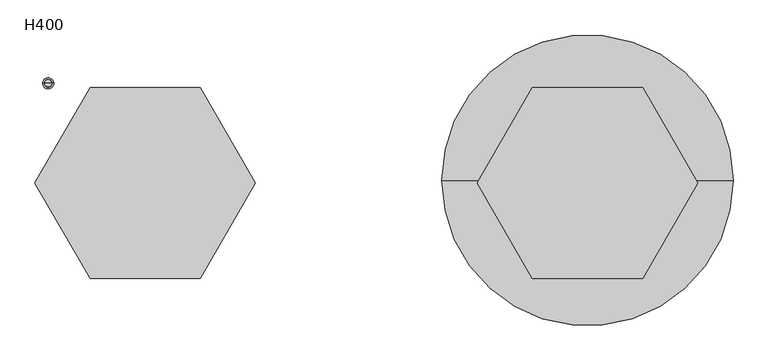
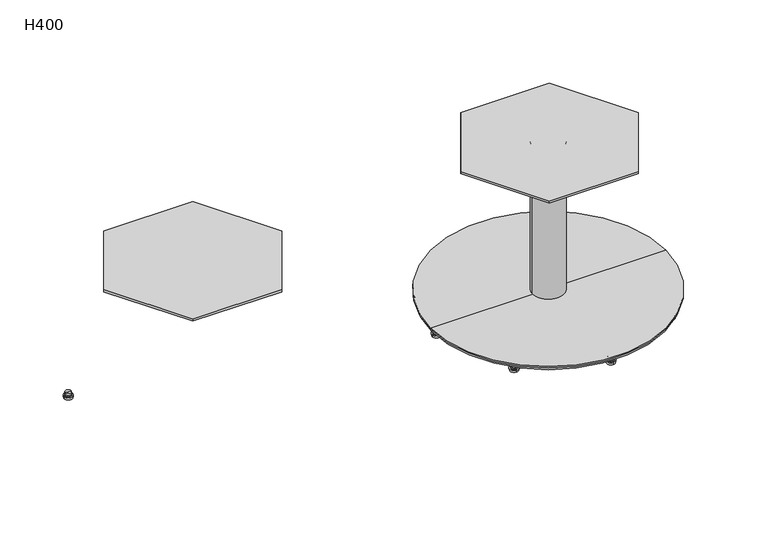
"""IFC4 building model written with IfcOpenShell, lengths in millimetres: furniture geometry, H400."""

from ifc_helpers import new_model, si_unit, point, frame, frame_2d, origin, place, context, project, spatial, polyline, circle_curve, trimmed, segment, composite_curve, outline, extrude, source, transform, mapped, element, save
from ifc_brep_helpers import plane_surface, cylinder_surface, revolved_surface, advanced_brep


def h400_dd44efa4(model_context):
    return source(origin(), model_context, "Body", "SolidModel", [
        advanced_brep(
        [(624.1102842, 176.3714444, 13.7177537), (617.6241161, 176.3714444, 13.7177537), (630.5964523, 176.3714444, 13.7177537), (617.6241161, 176.3714444, 9.5464368), (630.5964523, 176.3714444, 9.5464368), (620.7653237, 176.3714444, 9.5464368), (627.4552447, 176.3714444, 9.5464368), (620.7653237, 176.3714444, 6.7188998), (627.4552447, 176.3714444, 6.7188998), (617.064186, 176.3714444, 6.7188998), (631.1563823, 176.3714444, 6.7188998), (617.064186, 176.3714444, 5.5990832), (631.1563823, 176.3714444, 5.5990832), (613.9845707, 176.3714444, 5.5990832), (634.2359976, 176.3714444, 5.5990832), (615.1044308, 176.3714444, 0.0), (633.1161375, 176.3714444, 0.0), (624.1102842, 176.3714444, 0.0)],
        [
            (0, 1),
            (1, 2, circle_curve(frame((624.1102842, 176.3714444, 13.7177537), z_axis=(0.0, 0.0, 1.0), x_axis=(-1.0, 0.0, 0.0)), 6.4861681)),
            (2, 0),
            (2, 1, circle_curve(frame((624.1102842, 176.3714444, 13.7177537), z_axis=(0.0, 0.0, 1.0), x_axis=(-1.0, 0.0, 0.0)), 6.4861681)),
            (1, 3),
            (3, 4, circle_curve(frame((624.1102842, 176.3714444, 9.5464368), z_axis=(0.0, 0.0, 1.0), x_axis=(-1.0, 0.0, 0.0)), 6.4861681)),
            (4, 2),
            (4, 3, circle_curve(frame((624.1102842, 176.3714444, 9.5464368), z_axis=(0.0, 0.0, 1.0), x_axis=(-1.0, 0.0, 0.0)), 6.4861681)),
            (3, 5),
            (5, 6, circle_curve(frame((624.1102842, 176.3714444, 9.5464368), z_axis=(0.0, 0.0, 1.0), x_axis=(-1.0, 0.0, 0.0)), 3.3449605)),
            (6, 4),
            (6, 5, circle_curve(frame((624.1102842, 176.3714444, 9.5464368), z_axis=(0.0, 0.0, 1.0), x_axis=(-1.0, 0.0, 0.0)), 3.3449605)),
            (5, 7),
            (7, 8, circle_curve(frame((624.1102842, 176.3714444, 6.7188998), z_axis=(0.0, 0.0, 1.0), x_axis=(-1.0, 0.0, 0.0)), 3.3449605)),
            (8, 6),
            (8, 7, circle_curve(frame((624.1102842, 176.3714444, 6.7188998), z_axis=(0.0, 0.0, 1.0), x_axis=(-1.0, 0.0, 0.0)), 3.3449605)),
            (7, 9),
            (9, 10, circle_curve(frame((624.1102842, 176.3714444, 6.7188998), z_axis=(0.0, 0.0, 1.0), x_axis=(-1.0, 0.0, 0.0)), 7.0460981)),
            (10, 8),
            (10, 9, circle_curve(frame((624.1102842, 176.3714444, 6.7188998), z_axis=(0.0, 0.0, 1.0), x_axis=(-1.0, 0.0, 0.0)), 7.0460981)),
            (9, 11),
            (11, 12, circle_curve(frame((624.1102842, 176.3714444, 5.5990832), z_axis=(0.0, 0.0, 1.0), x_axis=(-1.0, 0.0, 0.0)), 7.0460981)),
            (12, 10),
            (12, 11, circle_curve(frame((624.1102842, 176.3714444, 5.5990832), z_axis=(0.0, 0.0, 1.0), x_axis=(-1.0, 0.0, 0.0)), 7.0460981)),
            (11, 13),
            (13, 14, circle_curve(frame((624.1102842, 176.3714444, 5.5990832), z_axis=(0.0, 0.0, 1.0), x_axis=(-1.0, 0.0, 0.0)), 10.1257135)),
            (14, 12),
            (14, 13, circle_curve(frame((624.1102842, 176.3714444, 5.5990832), z_axis=(0.0, 0.0, 1.0), x_axis=(-1.0, 0.0, 0.0)), 10.1257135)),
            (13, 15),
            (15, 16, circle_curve(frame((624.1102842, 176.3714444, 0.0), z_axis=(0.0, 0.0, 1.0), x_axis=(-1.0, 0.0, 0.0)), 9.0058533)),
            (16, 14),
            (16, 15, circle_curve(frame((624.1102842, 176.3714444, 0.0), z_axis=(0.0, 0.0, 1.0), x_axis=(-1.0, 0.0, 0.0)), 9.0058533)),
            (15, 17),
            (17, 16),
        ],
        [
            plane_surface(frame((624.1102842, 176.3714444, 13.7177537), z_axis=(0.0, 0.0, 1.0), x_axis=(-1.0, 0.0, 0.0))),
            cylinder_surface(frame((624.1102842, 176.3714444, 9.5464368), z_axis=(0.0, 0.0, 1.0), x_axis=(-1.0, 0.0, 0.0)), 6.4861681),
            plane_surface(frame((624.1102842, 176.3714444, 9.5464368), z_axis=(0.0, 0.0, -1.0), x_axis=(-1.0, 0.0, 0.0))),
            cylinder_surface(frame((624.1102842, 176.3714444, 9.5464368), z_axis=(0.0, 0.0, 1.0), x_axis=(-1.0, 0.0, 0.0)), 3.3449605),
            plane_surface(frame((624.1102842, 176.3714444, 6.7188998), z_axis=(0.0, 0.0, 1.0), x_axis=(-1.0, 0.0, 0.0))),
            cylinder_surface(frame((624.1102842, 176.3714444, 9.5464368), z_axis=(0.0, 0.0, 1.0), x_axis=(-1.0, 0.0, 0.0)), 7.0460981),
            plane_surface(frame((624.1102842, 176.3714444, 5.5990832), z_axis=(0.0, 0.0, 1.0), x_axis=(-1.0, 0.0, 0.0))),
            revolved_surface(polyline([(615.1044308, 176.3714444, 0.0), (613.9845707, 176.3714444, 5.5990832)]), (624.1102842, 176.3714444, 9.5464368), (0.0, 0.0, 1.0)),
            plane_surface(frame((624.1102842, 176.3714444, 0.0), z_axis=(0.0, 0.0, -1.0), x_axis=(-1.0, 0.0, 0.0))),
        ],
        [
            (0, [[1, 2, 3]]),
            (0, [[-3, 4, -1]]),
            (1, [[-2, 5, 6, 7]]),
            (1, [[-4, -7, 8, -5]]),
            (2, [[-6, 9, 10, 11]]),
            (2, [[-8, -11, 12, -9]]),
            (3, [[-10, 13, 14, 15]]),
            (3, [[-12, -15, 16, -13]]),
            (4, [[-14, 17, 18, 19]]),
            (4, [[-16, -19, 20, -17]]),
            (5, [[-18, 21, 22, 23]]),
            (5, [[-20, -23, 24, -21]]),
            (6, [[-22, 25, 26, 27]]),
            (6, [[-24, -27, 28, -25]]),
            (7, [[-26, 29, 30, 31]]),
            (7, [[-28, -31, 32, -29]]),
            (8, [[-30, 33, 34]]),
            (8, [[-32, -34, -33]]),
        ],
    ),
        advanced_brep(
        [(976.3714444, -169.4035477, 13.7177537), (976.3714444, -182.3758839, 13.7177537), (976.3714444, -175.8897158, 13.7177537), (976.3714444, -169.4035477, 9.5464368), (976.3714444, -182.3758839, 9.5464368), (976.3714444, -172.5447553, 9.5464368), (976.3714444, -179.2346763, 9.5464368), (976.3714444, -172.5447553, 6.7188998), (976.3714444, -179.2346763, 6.7188998), (976.3714444, -168.8436177, 6.7188998), (976.3714444, -182.935814, 6.7188998), (976.3714444, -168.8436177, 5.5990832), (976.3714444, -182.935814, 5.5990832), (976.3714444, -165.7640024, 5.5990832), (976.3714444, -186.0154293, 5.5990832), (976.3714444, -166.8838625, 0.0), (976.3714444, -184.8955692, 0.0), (976.3714444, -175.8897158, 0.0)],
        [
            (0, 1, circle_curve(frame((976.3714444, -175.8897158, 13.7177537), z_axis=(0.0, 0.0, 1.0), x_axis=(0.0, -1.0, 0.0)), 6.4861681)),
            (1, 2),
            (2, 0),
            (1, 0, circle_curve(frame((976.3714444, -175.8897158, 13.7177537), z_axis=(0.0, 0.0, 1.0), x_axis=(0.0, -1.0, 0.0)), 6.4861681)),
            (3, 4, circle_curve(frame((976.3714444, -175.8897158, 9.5464368), z_axis=(0.0, 0.0, 1.0), x_axis=(0.0, -1.0, 0.0)), 6.4861681)),
            (4, 1),
            (0, 3),
            (4, 3, circle_curve(frame((976.3714444, -175.8897158, 9.5464368), z_axis=(0.0, 0.0, 1.0), x_axis=(0.0, -1.0, 0.0)), 6.4861681)),
            (5, 6, circle_curve(frame((976.3714444, -175.8897158, 9.5464368), z_axis=(0.0, 0.0, 1.0), x_axis=(0.0, -1.0, 0.0)), 3.3449605)),
            (6, 4),
            (3, 5),
            (6, 5, circle_curve(frame((976.3714444, -175.8897158, 9.5464368), z_axis=(0.0, 0.0, 1.0), x_axis=(0.0, -1.0, 0.0)), 3.3449605)),
            (7, 8, circle_curve(frame((976.3714444, -175.8897158, 6.7188998), z_axis=(0.0, 0.0, 1.0), x_axis=(0.0, -1.0, 0.0)), 3.3449605)),
            (8, 6),
            (5, 7),
            (8, 7, circle_curve(frame((976.3714444, -175.8897158, 6.7188998), z_axis=(0.0, 0.0, 1.0), x_axis=(0.0, -1.0, 0.0)), 3.3449605)),
            (9, 10, circle_curve(frame((976.3714444, -175.8897158, 6.7188998), z_axis=(0.0, 0.0, 1.0), x_axis=(0.0, -1.0, 0.0)), 7.0460981)),
            (10, 8),
            (7, 9),
            (10, 9, circle_curve(frame((976.3714444, -175.8897158, 6.7188998), z_axis=(0.0, 0.0, 1.0), x_axis=(0.0, -1.0, 0.0)), 7.0460981)),
            (11, 12, circle_curve(frame((976.3714444, -175.8897158, 5.5990832), z_axis=(0.0, 0.0, 1.0), x_axis=(0.0, -1.0, 0.0)), 7.0460981)),
            (12, 10),
            (9, 11),
            (12, 11, circle_curve(frame((976.3714444, -175.8897158, 5.5990832), z_axis=(0.0, 0.0, 1.0), x_axis=(0.0, -1.0, 0.0)), 7.0460981)),
            (13, 14, circle_curve(frame((976.3714444, -175.8897158, 5.5990832), z_axis=(0.0, 0.0, 1.0), x_axis=(0.0, -1.0, 0.0)), 10.1257135)),
            (14, 12),
            (11, 13),
            (14, 13, circle_curve(frame((976.3714444, -175.8897158, 5.5990832), z_axis=(0.0, 0.0, 1.0), x_axis=(0.0, -1.0, 0.0)), 10.1257135)),
            (15, 16, circle_curve(frame((976.3714444, -175.8897158, 0.0), z_axis=(0.0, 0.0, 1.0), x_axis=(0.0, -1.0, 0.0)), 9.0058533)),
            (16, 14),
            (13, 15),
            (16, 15, circle_curve(frame((976.3714444, -175.8897158, 0.0), z_axis=(0.0, 0.0, 1.0), x_axis=(0.0, -1.0, 0.0)), 9.0058533)),
            (17, 16),
            (15, 17),
        ],
        [
            plane_surface(frame((976.3714444, -175.8897158, 13.7177537), z_axis=(0.0, 0.0, 1.0), x_axis=(0.0, -1.0, 0.0))),
            cylinder_surface(frame((976.3714444, -175.8897158, 9.5464368), z_axis=(0.0, 0.0, -1.0), x_axis=(0.0, -1.0, 0.0)), 6.4861681),
            plane_surface(frame((976.3714444, -175.8897158, 9.5464368), z_axis=(0.0, 0.0, -1.0), x_axis=(0.0, -1.0, 0.0))),
            cylinder_surface(frame((976.3714444, -175.8897158, 9.5464368), z_axis=(0.0, 0.0, -1.0), x_axis=(0.0, -1.0, 0.0)), 3.3449605),
            plane_surface(frame((976.3714444, -175.8897158, 6.7188998), z_axis=(0.0, 0.0, 1.0), x_axis=(0.0, -1.0, 0.0))),
            cylinder_surface(frame((976.3714444, -175.8897158, 9.5464368), z_axis=(0.0, 0.0, -1.0), x_axis=(0.0, -1.0, 0.0)), 7.0460981),
            plane_surface(frame((976.3714444, -175.8897158, 5.5990832), z_axis=(0.0, 0.0, 1.0), x_axis=(0.0, -1.0, 0.0))),
            revolved_surface(polyline([(976.3714444, -186.0154293, 5.5990832), (976.3714444, -184.8955692, 0.0)]), (976.3714444, -175.8897158, 9.5464368), (0.0, 0.0, -1.0)),
            plane_surface(frame((976.3714444, -175.8897158, 0.0), z_axis=(0.0, 0.0, -1.0), x_axis=(0.0, -1.0, 0.0))),
        ],
        [
            (0, [[1, 2, 3]]),
            (0, [[4, -3, -2]]),
            (1, [[5, 6, -1, 7]]),
            (1, [[8, -7, -4, -6]]),
            (2, [[9, 10, -5, 11]]),
            (2, [[12, -11, -8, -10]]),
            (3, [[13, 14, -9, 15]]),
            (3, [[16, -15, -12, -14]]),
            (4, [[17, 18, -13, 19]]),
            (4, [[20, -19, -16, -18]]),
            (5, [[21, 22, -17, 23]]),
            (5, [[24, -23, -20, -22]]),
            (6, [[25, 26, -21, 27]]),
            (6, [[28, -27, -24, -26]]),
            (7, [[29, 30, -25, 31]]),
            (7, [[32, -31, -28, -30]]),
            (8, [[33, -29, 34]]),
            (8, [[-34, -32, -33]]),
        ],
    ),
        advanced_brep(
        [(623.6829777, -170.3861024, 13.7177537), (623.6829777, -183.3584386, 13.7177537), (623.6829777, -176.8722705, 13.7177537), (623.6829777, -170.3861024, 9.5464368), (623.6829777, -183.3584386, 9.5464368), (623.6829777, -173.52731, 9.5464368), (623.6829777, -180.217231, 9.5464368), (623.6829777, -173.52731, 6.7188998), (623.6829777, -180.217231, 6.7188998), (623.6829777, -169.8261723, 6.7188998), (623.6829777, -183.9183686, 6.7188998), (623.6829777, -169.8261723, 5.5990832), (623.6829777, -183.9183686, 5.5990832), (623.6829777, -166.746557, 5.5990832), (623.6829777, -186.9979839, 5.5990832), (623.6829777, -167.8664171, 0.0), (623.6829777, -185.8781238, 0.0), (623.6829777, -176.8722705, 0.0)],
        [
            (0, 1, circle_curve(frame((623.6829777, -176.8722705, 13.7177537), z_axis=(0.0, 0.0, 1.0), x_axis=(0.0, -1.0, 0.0)), 6.4861681)),
            (1, 2),
            (2, 0),
            (1, 0, circle_curve(frame((623.6829777, -176.8722705, 13.7177537), z_axis=(0.0, 0.0, 1.0), x_axis=(0.0, -1.0, 0.0)), 6.4861681)),
            (3, 4, circle_curve(frame((623.6829777, -176.8722705, 9.5464368), z_axis=(0.0, 0.0, 1.0), x_axis=(0.0, -1.0, 0.0)), 6.4861681)),
            (4, 1),
            (0, 3),
            (4, 3, circle_curve(frame((623.6829777, -176.8722705, 9.5464368), z_axis=(0.0, 0.0, 1.0), x_axis=(0.0, -1.0, 0.0)), 6.4861681)),
            (5, 6, circle_curve(frame((623.6829777, -176.8722705, 9.5464368), z_axis=(0.0, 0.0, 1.0), x_axis=(0.0, -1.0, 0.0)), 3.3449605)),
            (6, 4),
            (3, 5),
            (6, 5, circle_curve(frame((623.6829777, -176.8722705, 9.5464368), z_axis=(0.0, 0.0, 1.0), x_axis=(0.0, -1.0, 0.0)), 3.3449605)),
            (7, 8, circle_curve(frame((623.6829777, -176.8722705, 6.7188998), z_axis=(0.0, 0.0, 1.0), x_axis=(0.0, -1.0, 0.0)), 3.3449605)),
            (8, 6),
            (5, 7),
            (8, 7, circle_curve(frame((623.6829777, -176.8722705, 6.7188998), z_axis=(0.0, 0.0, 1.0), x_axis=(0.0, -1.0, 0.0)), 3.3449605)),
            (9, 10, circle_curve(frame((623.6829777, -176.8722705, 6.7188998), z_axis=(0.0, 0.0, 1.0), x_axis=(0.0, -1.0, 0.0)), 7.0460981)),
            (10, 8),
            (7, 9),
            (10, 9, circle_curve(frame((623.6829777, -176.8722705, 6.7188998), z_axis=(0.0, 0.0, 1.0), x_axis=(0.0, -1.0, 0.0)), 7.0460981)),
            (11, 12, circle_curve(frame((623.6829777, -176.8722705, 5.5990832), z_axis=(0.0, 0.0, 1.0), x_axis=(0.0, -1.0, 0.0)), 7.0460981)),
            (12, 10),
            (9, 11),
            (12, 11, circle_curve(frame((623.6829777, -176.8722705, 5.5990832), z_axis=(0.0, 0.0, 1.0), x_axis=(0.0, -1.0, 0.0)), 7.0460981)),
            (13, 14, circle_curve(frame((623.6829777, -176.8722705, 5.5990832), z_axis=(0.0, 0.0, 1.0), x_axis=(0.0, -1.0, 0.0)), 10.1257135)),
            (14, 12),
            (11, 13),
            (14, 13, circle_curve(frame((623.6829777, -176.8722705, 5.5990832), z_axis=(0.0, 0.0, 1.0), x_axis=(0.0, -1.0, 0.0)), 10.1257135)),
            (15, 16, circle_curve(frame((623.6829777, -176.8722705, 0.0), z_axis=(0.0, 0.0, 1.0), x_axis=(0.0, -1.0, 0.0)), 9.0058533)),
            (16, 14),
            (13, 15),
            (16, 15, circle_curve(frame((623.6829777, -176.8722705, 0.0), z_axis=(0.0, 0.0, 1.0), x_axis=(0.0, -1.0, 0.0)), 9.0058533)),
            (17, 16),
            (15, 17),
        ],
        [
            plane_surface(frame((623.6829777, -176.8722705, 13.7177537), z_axis=(0.0, 0.0, 1.0), x_axis=(0.0, -1.0, 0.0))),
            cylinder_surface(frame((623.6829777, -176.8722705, 9.5464368), z_axis=(0.0, 0.0, -1.0), x_axis=(0.0, -1.0, 0.0)), 6.4861681),
            plane_surface(frame((623.6829777, -176.8722705, 9.5464368), z_axis=(0.0, 0.0, -1.0), x_axis=(0.0, -1.0, 0.0))),
            cylinder_surface(frame((623.6829777, -176.8722705, 9.5464368), z_axis=(0.0, 0.0, -1.0), x_axis=(0.0, -1.0, 0.0)), 3.3449605),
            plane_surface(frame((623.6829777, -176.8722705, 6.7188998), z_axis=(0.0, 0.0, 1.0), x_axis=(0.0, -1.0, 0.0))),
            cylinder_surface(frame((623.6829777, -176.8722705, 9.5464368), z_axis=(0.0, 0.0, -1.0), x_axis=(0.0, -1.0, 0.0)), 7.0460981),
            plane_surface(frame((623.6829777, -176.8722705, 5.5990832), z_axis=(0.0, 0.0, 1.0), x_axis=(0.0, -1.0, 0.0))),
            revolved_surface(polyline([(623.6829777, -186.9979839, 5.5990832), (623.6829777, -185.8781238, 0.0)]), (623.6829777, -176.8722705, 9.5464368), (0.0, 0.0, -1.0)),
            plane_surface(frame((623.6829777, -176.8722705, 0.0), z_axis=(0.0, 0.0, -1.0), x_axis=(0.0, -1.0, 0.0))),
        ],
        [
            (0, [[1, 2, 3]]),
            (0, [[4, -3, -2]]),
            (1, [[5, 6, -1, 7]]),
            (1, [[8, -7, -4, -6]]),
            (2, [[9, 10, -5, 11]]),
            (2, [[12, -11, -8, -10]]),
            (3, [[13, 14, -9, 15]]),
            (3, [[16, -15, -12, -14]]),
            (4, [[17, 18, -13, 19]]),
            (4, [[20, -19, -16, -18]]),
            (5, [[21, 22, -17, 23]]),
            (5, [[24, -23, -20, -22]]),
            (6, [[25, 26, -21, 27]]),
            (6, [[28, -27, -24, -26]]),
            (7, [[29, 30, -25, 31]]),
            (7, [[32, -31, -28, -30]]),
            (8, [[33, -29, 34]]),
            (8, [[-34, -32, -33]]),
        ],
    ),
        advanced_brep(
        [(976.8722705, 176.3170223, 13.7177537), (983.3584386, 176.3170223, 13.7177537), (970.3861024, 176.3170223, 13.7177537), (983.3584386, 176.3170223, 9.5464368), (970.3861024, 176.3170223, 9.5464368), (980.217231, 176.3170223, 9.5464368), (973.52731, 176.3170223, 9.5464368), (980.217231, 176.3170223, 6.7188998), (973.52731, 176.3170223, 6.7188998), (983.9183686, 176.3170223, 6.7188998), (969.8261723, 176.3170223, 6.7188998), (983.9183686, 176.3170223, 5.5990832), (969.8261723, 176.3170223, 5.5990832), (986.9979839, 176.3170223, 5.5990832), (966.746557, 176.3170223, 5.5990832), (985.8781238, 176.3170223, 0.0), (967.8664171, 176.3170223, 0.0), (976.8722705, 176.3170223, 0.0)],
        [
            (0, 1),
            (1, 2, circle_curve(frame((976.8722705, 176.3170223, 13.7177537), z_axis=(0.0, 0.0, 1.0), x_axis=(1.0, 0.0, 0.0)), 6.4861681)),
            (2, 0),
            (2, 1, circle_curve(frame((976.8722705, 176.3170223, 13.7177537), z_axis=(0.0, 0.0, 1.0), x_axis=(1.0, 0.0, 0.0)), 6.4861681)),
            (1, 3),
            (3, 4, circle_curve(frame((976.8722705, 176.3170223, 9.5464368), z_axis=(0.0, 0.0, 1.0), x_axis=(1.0, 0.0, 0.0)), 6.4861681)),
            (4, 2),
            (4, 3, circle_curve(frame((976.8722705, 176.3170223, 9.5464368), z_axis=(0.0, 0.0, 1.0), x_axis=(1.0, 0.0, 0.0)), 6.4861681)),
            (3, 5),
            (5, 6, circle_curve(frame((976.8722705, 176.3170223, 9.5464368), z_axis=(0.0, 0.0, 1.0), x_axis=(1.0, 0.0, 0.0)), 3.3449605)),
            (6, 4),
            (6, 5, circle_curve(frame((976.8722705, 176.3170223, 9.5464368), z_axis=(0.0, 0.0, 1.0), x_axis=(1.0, 0.0, 0.0)), 3.3449605)),
            (5, 7),
            (7, 8, circle_curve(frame((976.8722705, 176.3170223, 6.7188998), z_axis=(0.0, 0.0, 1.0), x_axis=(1.0, 0.0, 0.0)), 3.3449605)),
            (8, 6),
            (8, 7, circle_curve(frame((976.8722705, 176.3170223, 6.7188998), z_axis=(0.0, 0.0, 1.0), x_axis=(1.0, 0.0, 0.0)), 3.3449605)),
            (7, 9),
            (9, 10, circle_curve(frame((976.8722705, 176.3170223, 6.7188998), z_axis=(0.0, 0.0, 1.0), x_axis=(1.0, 0.0, 0.0)), 7.0460981)),
            (10, 8),
            (10, 9, circle_curve(frame((976.8722705, 176.3170223, 6.7188998), z_axis=(0.0, 0.0, 1.0), x_axis=(1.0, 0.0, 0.0)), 7.0460981)),
            (9, 11),
            (11, 12, circle_curve(frame((976.8722705, 176.3170223, 5.5990832), z_axis=(0.0, 0.0, 1.0), x_axis=(1.0, 0.0, 0.0)), 7.0460981)),
            (12, 10),
            (12, 11, circle_curve(frame((976.8722705, 176.3170223, 5.5990832), z_axis=(0.0, 0.0, 1.0), x_axis=(1.0, 0.0, 0.0)), 7.0460981)),
            (11, 13),
            (13, 14, circle_curve(frame((976.8722705, 176.3170223, 5.5990832), z_axis=(0.0, 0.0, 1.0), x_axis=(1.0, 0.0, 0.0)), 10.1257135)),
            (14, 12),
            (14, 13, circle_curve(frame((976.8722705, 176.3170223, 5.5990832), z_axis=(0.0, 0.0, 1.0), x_axis=(1.0, 0.0, 0.0)), 10.1257135)),
            (13, 15),
            (15, 16, circle_curve(frame((976.8722705, 176.3170223, 0.0), z_axis=(0.0, 0.0, 1.0), x_axis=(1.0, 0.0, 0.0)), 9.0058533)),
            (16, 14),
            (16, 15, circle_curve(frame((976.8722705, 176.3170223, 0.0), z_axis=(0.0, 0.0, 1.0), x_axis=(1.0, 0.0, 0.0)), 9.0058533)),
            (15, 17),
            (17, 16),
        ],
        [
            plane_surface(frame((976.8722705, 176.3170223, 13.7177537), z_axis=(0.0, 0.0, 1.0), x_axis=(1.0, 0.0, 0.0))),
            cylinder_surface(frame((976.8722705, 176.3170223, 9.5464368), z_axis=(0.0, 0.0, 1.0), x_axis=(1.0, 0.0, 0.0)), 6.4861681),
            plane_surface(frame((976.8722705, 176.3170223, 9.5464368), z_axis=(0.0, 0.0, -1.0), x_axis=(1.0, 0.0, 0.0))),
            cylinder_surface(frame((976.8722705, 176.3170223, 9.5464368), z_axis=(0.0, 0.0, 1.0), x_axis=(1.0, 0.0, 0.0)), 3.3449605),
            plane_surface(frame((976.8722705, 176.3170223, 6.7188998), z_axis=(0.0, 0.0, 1.0), x_axis=(1.0, 0.0, 0.0))),
            cylinder_surface(frame((976.8722705, 176.3170223, 9.5464368), z_axis=(0.0, 0.0, 1.0), x_axis=(1.0, 0.0, 0.0)), 7.0460981),
            plane_surface(frame((976.8722705, 176.3170223, 5.5990832), z_axis=(0.0, 0.0, 1.0), x_axis=(1.0, 0.0, 0.0))),
            revolved_surface(polyline([(985.8781238, 176.3170223, 0.0), (986.9979839, 176.3170223, 5.5990832)]), (976.8722705, 176.3170223, 9.5464368), (0.0, 0.0, 1.0)),
            plane_surface(frame((976.8722705, 176.3170223, 0.0), z_axis=(0.0, 0.0, -1.0), x_axis=(1.0, 0.0, 0.0))),
        ],
        [
            (0, [[1, 2, 3]]),
            (0, [[-3, 4, -1]]),
            (1, [[-2, 5, 6, 7]]),
            (1, [[-4, -7, 8, -5]]),
            (2, [[-6, 9, 10, 11]]),
            (2, [[-8, -11, 12, -9]]),
            (3, [[-10, 13, 14, 15]]),
            (3, [[-12, -15, 16, -13]]),
            (4, [[-14, 17, 18, 19]]),
            (4, [[-16, -19, 20, -17]]),
            (5, [[-18, 21, 22, 23]]),
            (5, [[-20, -23, 24, -21]]),
            (6, [[-22, 25, 26, 27]]),
            (6, [[-24, -27, 28, -25]]),
            (7, [[-26, 29, 30, 31]]),
            (7, [[-28, -31, 32, -29]]),
            (8, [[-30, 33, 34]]),
            (8, [[-32, -34, -33]]),
        ],
    ),
        advanced_brep(
        [(800.0, 242.3827083, 13.7177537), (800.0, 255.3550445, 13.7177537), (800.0, 248.8688764, 13.7177537), (800.0, 242.3827083, 9.5464368), (800.0, 255.3550445, 9.5464368), (800.0, 245.5239159, 9.5464368), (800.0, 252.2138369, 9.5464368), (800.0, 245.5239159, 6.7188998), (800.0, 252.2138369, 6.7188998), (800.0, 241.8227782, 6.7188998), (800.0, 255.9149745, 6.7188998), (800.0, 241.8227782, 5.5990832), (800.0, 255.9149745, 5.5990832), (800.0, 238.7431629, 5.5990832), (800.0, 258.9945898, 5.5990832), (800.0, 239.863023, 0.0), (800.0, 257.8747297, 0.0), (800.0, 248.8688764, 0.0)],
        [
            (0, 1, circle_curve(frame((800.0, 248.8688764, 13.7177537), z_axis=(0.0, 0.0, 1.0), x_axis=(0.0, 1.0, 0.0)), 6.4861681)),
            (1, 2),
            (2, 0),
            (1, 0, circle_curve(frame((800.0, 248.8688764, 13.7177537), z_axis=(0.0, 0.0, 1.0), x_axis=(0.0, 1.0, 0.0)), 6.4861681)),
            (3, 4, circle_curve(frame((800.0, 248.8688764, 9.5464368), z_axis=(0.0, 0.0, 1.0), x_axis=(0.0, 1.0, 0.0)), 6.4861681)),
            (4, 1),
            (0, 3),
            (4, 3, circle_curve(frame((800.0, 248.8688764, 9.5464368), z_axis=(0.0, 0.0, 1.0), x_axis=(0.0, 1.0, 0.0)), 6.4861681)),
            (5, 6, circle_curve(frame((800.0, 248.8688764, 9.5464368), z_axis=(0.0, 0.0, 1.0), x_axis=(0.0, 1.0, 0.0)), 3.3449605)),
            (6, 4),
            (3, 5),
            (6, 5, circle_curve(frame((800.0, 248.8688764, 9.5464368), z_axis=(0.0, 0.0, 1.0), x_axis=(0.0, 1.0, 0.0)), 3.3449605)),
            (7, 8, circle_curve(frame((800.0, 248.8688764, 6.7188998), z_axis=(0.0, 0.0, 1.0), x_axis=(0.0, 1.0, 0.0)), 3.3449605)),
            (8, 6),
            (5, 7),
            (8, 7, circle_curve(frame((800.0, 248.8688764, 6.7188998), z_axis=(0.0, 0.0, 1.0), x_axis=(0.0, 1.0, 0.0)), 3.3449605)),
            (9, 10, circle_curve(frame((800.0, 248.8688764, 6.7188998), z_axis=(0.0, 0.0, 1.0), x_axis=(0.0, 1.0, 0.0)), 7.0460981)),
            (10, 8),
            (7, 9),
            (10, 9, circle_curve(frame((800.0, 248.8688764, 6.7188998), z_axis=(0.0, 0.0, 1.0), x_axis=(0.0, 1.0, 0.0)), 7.0460981)),
            (11, 12, circle_curve(frame((800.0, 248.8688764, 5.5990832), z_axis=(0.0, 0.0, 1.0), x_axis=(0.0, 1.0, 0.0)), 7.0460981)),
            (12, 10),
            (9, 11),
            (12, 11, circle_curve(frame((800.0, 248.8688764, 5.5990832), z_axis=(0.0, 0.0, 1.0), x_axis=(0.0, 1.0, 0.0)), 7.0460981)),
            (13, 14, circle_curve(frame((800.0, 248.8688764, 5.5990832), z_axis=(0.0, 0.0, 1.0), x_axis=(0.0, 1.0, 0.0)), 10.1257135)),
            (14, 12),
            (11, 13),
            (14, 13, circle_curve(frame((800.0, 248.8688764, 5.5990832), z_axis=(0.0, 0.0, 1.0), x_axis=(0.0, 1.0, 0.0)), 10.1257135)),
            (15, 16, circle_curve(frame((800.0, 248.8688764, 0.0), z_axis=(0.0, 0.0, 1.0), x_axis=(0.0, 1.0, 0.0)), 9.0058533)),
            (16, 14),
            (13, 15),
            (16, 15, circle_curve(frame((800.0, 248.8688764, 0.0), z_axis=(0.0, 0.0, 1.0), x_axis=(0.0, 1.0, 0.0)), 9.0058533)),
            (17, 16),
            (15, 17),
        ],
        [
            plane_surface(frame((800.0, 248.8688764, 13.7177537), z_axis=(0.0, 0.0, 1.0), x_axis=(0.0, 1.0, 0.0))),
            cylinder_surface(frame((800.0, 248.8688764, 9.5464368), z_axis=(0.0, 0.0, -1.0), x_axis=(0.0, 1.0, 0.0)), 6.4861681),
            plane_surface(frame((800.0, 248.8688764, 9.5464368), z_axis=(0.0, 0.0, -1.0), x_axis=(0.0, 1.0, 0.0))),
            cylinder_surface(frame((800.0, 248.8688764, 9.5464368), z_axis=(0.0, 0.0, -1.0), x_axis=(0.0, 1.0, 0.0)), 3.3449605),
            plane_surface(frame((800.0, 248.8688764, 6.7188998), z_axis=(0.0, 0.0, 1.0), x_axis=(0.0, 1.0, 0.0))),
            cylinder_surface(frame((800.0, 248.8688764, 9.5464368), z_axis=(0.0, 0.0, -1.0), x_axis=(0.0, 1.0, 0.0)), 7.0460981),
            plane_surface(frame((800.0, 248.8688764, 5.5990832), z_axis=(0.0, 0.0, 1.0), x_axis=(0.0, 1.0, 0.0))),
            revolved_surface(polyline([(800.0, 258.9945898, 5.5990832), (800.0, 257.8747297, 0.0)]), (800.0, 248.8688764, 9.5464368), (0.0, 0.0, -1.0)),
            plane_surface(frame((800.0, 248.8688764, 0.0), z_axis=(0.0, 0.0, -1.0), x_axis=(0.0, 1.0, 0.0))),
        ],
        [
            (0, [[1, 2, 3]]),
            (0, [[4, -3, -2]]),
            (1, [[5, 6, -1, 7]]),
            (1, [[8, -7, -4, -6]]),
            (2, [[9, 10, -5, 11]]),
            (2, [[12, -11, -8, -10]]),
            (3, [[13, 14, -9, 15]]),
            (3, [[16, -15, -12, -14]]),
            (4, [[17, 18, -13, 19]]),
            (4, [[20, -19, -16, -18]]),
            (5, [[21, 22, -17, 23]]),
            (5, [[24, -23, -20, -22]]),
            (6, [[25, 26, -21, 27]]),
            (6, [[28, -27, -24, -26]]),
            (7, [[29, 30, -25, 31]]),
            (7, [[32, -31, -28, -30]]),
            (8, [[33, -29, 34]]),
            (8, [[-34, -32, -33]]),
        ],
    ),
        advanced_brep(
        [(800.0, -242.3827083, 13.7177537), (800.0, -255.3550445, 13.7177537), (800.0, -248.8688764, 13.7177537), (800.0, -242.3827083, 9.5464368), (800.0, -255.3550445, 9.5464368), (800.0, -245.5239159, 9.5464368), (800.0, -252.2138369, 9.5464368), (800.0, -245.5239159, 6.7188998), (800.0, -252.2138369, 6.7188998), (800.0, -241.8227782, 6.7188998), (800.0, -255.9149745, 6.7188998), (800.0, -241.8227782, 5.5990832), (800.0, -255.9149745, 5.5990832), (800.0, -238.7431629, 5.5990832), (800.0, -258.9945898, 5.5990832), (800.0, -239.863023, 0.0), (800.0, -257.8747297, 0.0), (800.0, -248.8688764, 0.0)],
        [
            (0, 1, circle_curve(frame((800.0, -248.8688764, 13.7177537), z_axis=(0.0, 0.0, 1.0), x_axis=(0.0, -1.0, 0.0)), 6.4861681)),
            (1, 2),
            (2, 0),
            (1, 0, circle_curve(frame((800.0, -248.8688764, 13.7177537), z_axis=(0.0, 0.0, 1.0), x_axis=(0.0, -1.0, 0.0)), 6.4861681)),
            (3, 4, circle_curve(frame((800.0, -248.8688764, 9.5464368), z_axis=(0.0, 0.0, 1.0), x_axis=(0.0, -1.0, 0.0)), 6.4861681)),
            (4, 1),
            (0, 3),
            (4, 3, circle_curve(frame((800.0, -248.8688764, 9.5464368), z_axis=(0.0, 0.0, 1.0), x_axis=(0.0, -1.0, 0.0)), 6.4861681)),
            (5, 6, circle_curve(frame((800.0, -248.8688764, 9.5464368), z_axis=(0.0, 0.0, 1.0), x_axis=(0.0, -1.0, 0.0)), 3.3449605)),
            (6, 4),
            (3, 5),
            (6, 5, circle_curve(frame((800.0, -248.8688764, 9.5464368), z_axis=(0.0, 0.0, 1.0), x_axis=(0.0, -1.0, 0.0)), 3.3449605)),
            (7, 8, circle_curve(frame((800.0, -248.8688764, 6.7188998), z_axis=(0.0, 0.0, 1.0), x_axis=(0.0, -1.0, 0.0)), 3.3449605)),
            (8, 6),
            (5, 7),
            (8, 7, circle_curve(frame((800.0, -248.8688764, 6.7188998), z_axis=(0.0, 0.0, 1.0), x_axis=(0.0, -1.0, 0.0)), 3.3449605)),
            (9, 10, circle_curve(frame((800.0, -248.8688764, 6.7188998), z_axis=(0.0, 0.0, 1.0), x_axis=(0.0, -1.0, 0.0)), 7.0460981)),
            (10, 8),
            (7, 9),
            (10, 9, circle_curve(frame((800.0, -248.8688764, 6.7188998), z_axis=(0.0, 0.0, 1.0), x_axis=(0.0, -1.0, 0.0)), 7.0460981)),
            (11, 12, circle_curve(frame((800.0, -248.8688764, 5.5990832), z_axis=(0.0, 0.0, 1.0), x_axis=(0.0, -1.0, 0.0)), 7.0460981)),
            (12, 10),
            (9, 11),
            (12, 11, circle_curve(frame((800.0, -248.8688764, 5.5990832), z_axis=(0.0, 0.0, 1.0), x_axis=(0.0, -1.0, 0.0)), 7.0460981)),
            (13, 14, circle_curve(frame((800.0, -248.8688764, 5.5990832), z_axis=(0.0, 0.0, 1.0), x_axis=(0.0, -1.0, 0.0)), 10.1257135)),
            (14, 12),
            (11, 13),
            (14, 13, circle_curve(frame((800.0, -248.8688764, 5.5990832), z_axis=(0.0, 0.0, 1.0), x_axis=(0.0, -1.0, 0.0)), 10.1257135)),
            (15, 16, circle_curve(frame((800.0, -248.8688764, 0.0), z_axis=(0.0, 0.0, 1.0), x_axis=(0.0, -1.0, 0.0)), 9.0058533)),
            (16, 14),
            (13, 15),
            (16, 15, circle_curve(frame((800.0, -248.8688764, 0.0), z_axis=(0.0, 0.0, 1.0), x_axis=(0.0, -1.0, 0.0)), 9.0058533)),
            (17, 16),
            (15, 17),
        ],
        [
            plane_surface(frame((800.0, -248.8688764, 13.7177537), z_axis=(0.0, 0.0, 1.0), x_axis=(0.0, -1.0, 0.0))),
            cylinder_surface(frame((800.0, -248.8688764, 9.5464368), z_axis=(0.0, 0.0, -1.0), x_axis=(0.0, -1.0, 0.0)), 6.4861681),
            plane_surface(frame((800.0, -248.8688764, 9.5464368), z_axis=(0.0, 0.0, -1.0), x_axis=(0.0, -1.0, 0.0))),
            cylinder_surface(frame((800.0, -248.8688764, 9.5464368), z_axis=(0.0, 0.0, -1.0), x_axis=(0.0, -1.0, 0.0)), 3.3449605),
            plane_surface(frame((800.0, -248.8688764, 6.7188998), z_axis=(0.0, 0.0, 1.0), x_axis=(0.0, -1.0, 0.0))),
            cylinder_surface(frame((800.0, -248.8688764, 9.5464368), z_axis=(0.0, 0.0, -1.0), x_axis=(0.0, -1.0, 0.0)), 7.0460981),
            plane_surface(frame((800.0, -248.8688764, 5.5990832), z_axis=(0.0, 0.0, 1.0), x_axis=(0.0, -1.0, 0.0))),
            revolved_surface(polyline([(800.0, -258.9945898, 5.5990832), (800.0, -257.8747297, 0.0)]), (800.0, -248.8688764, 9.5464368), (0.0, 0.0, -1.0)),
            plane_surface(frame((800.0, -248.8688764, 0.0), z_axis=(0.0, 0.0, -1.0), x_axis=(0.0, -1.0, 0.0))),
        ],
        [
            (0, [[1, 2, 3]]),
            (0, [[4, -3, -2]]),
            (1, [[5, 6, -1, 7]]),
            (1, [[8, -7, -4, -6]]),
            (2, [[9, 10, -5, 11]]),
            (2, [[12, -11, -8, -10]]),
            (3, [[13, 14, -9, 15]]),
            (3, [[16, -15, -12, -14]]),
            (4, [[17, 18, -13, 19]]),
            (4, [[20, -19, -16, -18]]),
            (5, [[21, 22, -17, 23]]),
            (5, [[24, -23, -20, -22]]),
            (6, [[25, 26, -21, 27]]),
            (6, [[28, -27, -24, -26]]),
            (7, [[29, 30, -25, 31]]),
            (7, [[32, -31, -28, -30]]),
            (8, [[33, -29, 34]]),
            (8, [[-34, -32, -33]]),
        ],
    ),
        advanced_brep(
        [(1048.8688764, 0.0, 13.7177537), (1055.3550445, 0.0, 13.7177537), (1042.3827083, 0.0, 13.7177537), (1055.3550445, 0.0, 9.5464368), (1042.3827083, 0.0, 9.5464368), (1052.2138369, 0.0, 9.5464368), (1045.5239159, 0.0, 9.5464368), (1052.2138369, 0.0, 6.7188998), (1045.5239159, 0.0, 6.7188998), (1055.9149745, 0.0, 6.7188998), (1041.8227782, 0.0, 6.7188998), (1055.9149745, 0.0, 5.5990832), (1041.8227782, 0.0, 5.5990832), (1058.9945898, 0.0, 5.5990832), (1038.7431629, 0.0, 5.5990832), (1057.8747297, 0.0, 0.0), (1039.863023, 0.0, 0.0), (1048.8688764, 0.0, 0.0)],
        [
            (0, 1),
            (1, 2, circle_curve(frame((1048.8688764, 0.0, 13.7177537), z_axis=(0.0, 0.0, 1.0), x_axis=(1.0, 0.0, 0.0)), 6.4861681)),
            (2, 0),
            (2, 1, circle_curve(frame((1048.8688764, 0.0, 13.7177537), z_axis=(0.0, 0.0, 1.0), x_axis=(1.0, 0.0, 0.0)), 6.4861681)),
            (1, 3),
            (3, 4, circle_curve(frame((1048.8688764, 0.0, 9.5464368), z_axis=(0.0, 0.0, 1.0), x_axis=(1.0, 0.0, 0.0)), 6.4861681)),
            (4, 2),
            (4, 3, circle_curve(frame((1048.8688764, 0.0, 9.5464368), z_axis=(0.0, 0.0, 1.0), x_axis=(1.0, 0.0, 0.0)), 6.4861681)),
            (3, 5),
            (5, 6, circle_curve(frame((1048.8688764, 0.0, 9.5464368), z_axis=(0.0, 0.0, 1.0), x_axis=(1.0, 0.0, 0.0)), 3.3449605)),
            (6, 4),
            (6, 5, circle_curve(frame((1048.8688764, 0.0, 9.5464368), z_axis=(0.0, 0.0, 1.0), x_axis=(1.0, 0.0, 0.0)), 3.3449605)),
            (5, 7),
            (7, 8, circle_curve(frame((1048.8688764, 0.0, 6.7188998), z_axis=(0.0, 0.0, 1.0), x_axis=(1.0, 0.0, 0.0)), 3.3449605)),
            (8, 6),
            (8, 7, circle_curve(frame((1048.8688764, 0.0, 6.7188998), z_axis=(0.0, 0.0, 1.0), x_axis=(1.0, 0.0, 0.0)), 3.3449605)),
            (7, 9),
            (9, 10, circle_curve(frame((1048.8688764, 0.0, 6.7188998), z_axis=(0.0, 0.0, 1.0), x_axis=(1.0, 0.0, 0.0)), 7.0460981)),
            (10, 8),
            (10, 9, circle_curve(frame((1048.8688764, 0.0, 6.7188998), z_axis=(0.0, 0.0, 1.0), x_axis=(1.0, 0.0, 0.0)), 7.0460981)),
            (9, 11),
            (11, 12, circle_curve(frame((1048.8688764, 0.0, 5.5990832), z_axis=(0.0, 0.0, 1.0), x_axis=(1.0, 0.0, 0.0)), 7.0460981)),
            (12, 10),
            (12, 11, circle_curve(frame((1048.8688764, 0.0, 5.5990832), z_axis=(0.0, 0.0, 1.0), x_axis=(1.0, 0.0, 0.0)), 7.0460981)),
            (11, 13),
            (13, 14, circle_curve(frame((1048.8688764, 0.0, 5.5990832), z_axis=(0.0, 0.0, 1.0), x_axis=(1.0, 0.0, 0.0)), 10.1257135)),
            (14, 12),
            (14, 13, circle_curve(frame((1048.8688764, 0.0, 5.5990832), z_axis=(0.0, 0.0, 1.0), x_axis=(1.0, 0.0, 0.0)), 10.1257135)),
            (13, 15),
            (15, 16, circle_curve(frame((1048.8688764, 0.0, 0.0), z_axis=(0.0, 0.0, 1.0), x_axis=(1.0, 0.0, 0.0)), 9.0058533)),
            (16, 14),
            (16, 15, circle_curve(frame((1048.8688764, 0.0, 0.0), z_axis=(0.0, 0.0, 1.0), x_axis=(1.0, 0.0, 0.0)), 9.0058533)),
            (15, 17),
            (17, 16),
        ],
        [
            plane_surface(frame((1048.8688764, 0.0, 13.7177537), z_axis=(0.0, 0.0, 1.0), x_axis=(1.0, 0.0, 0.0))),
            cylinder_surface(frame((1048.8688764, 0.0, 9.5464368), z_axis=(0.0, 0.0, 1.0), x_axis=(1.0, 0.0, 0.0)), 6.4861681),
            plane_surface(frame((1048.8688764, 0.0, 9.5464368), z_axis=(0.0, 0.0, -1.0), x_axis=(1.0, 0.0, 0.0))),
            cylinder_surface(frame((1048.8688764, 0.0, 9.5464368), z_axis=(0.0, 0.0, 1.0), x_axis=(1.0, 0.0, 0.0)), 3.3449605),
            plane_surface(frame((1048.8688764, 0.0, 6.7188998), z_axis=(0.0, 0.0, 1.0), x_axis=(1.0, 0.0, 0.0))),
            cylinder_surface(frame((1048.8688764, 0.0, 9.5464368), z_axis=(0.0, 0.0, 1.0), x_axis=(1.0, 0.0, 0.0)), 7.0460981),
            plane_surface(frame((1048.8688764, 0.0, 5.5990832), z_axis=(0.0, 0.0, 1.0), x_axis=(1.0, 0.0, 0.0))),
            revolved_surface(polyline([(1057.8747297, 0.0, 0.0), (1058.9945898, 0.0, 5.5990832)]), (1048.8688764, 0.0, 9.5464368), (0.0, 0.0, 1.0)),
            plane_surface(frame((1048.8688764, 0.0, 0.0), z_axis=(0.0, 0.0, -1.0), x_axis=(1.0, 0.0, 0.0))),
        ],
        [
            (0, [[1, 2, 3]]),
            (0, [[-3, 4, -1]]),
            (1, [[-2, 5, 6, 7]]),
            (1, [[-4, -7, 8, -5]]),
            (2, [[-6, 9, 10, 11]]),
            (2, [[-8, -11, 12, -9]]),
            (3, [[-10, 13, 14, 15]]),
            (3, [[-12, -15, 16, -13]]),
            (4, [[-14, 17, 18, 19]]),
            (4, [[-16, -19, 20, -17]]),
            (5, [[-18, 21, 22, 23]]),
            (5, [[-20, -23, 24, -21]]),
            (6, [[-22, 25, 26, 27]]),
            (6, [[-24, -27, 28, -25]]),
            (7, [[-26, 29, 30, 31]]),
            (7, [[-28, -31, 32, -29]]),
            (8, [[-30, 33, 34]]),
            (8, [[-32, -34, -33]]),
        ],
    ),
        advanced_brep(
        [(557.6172917, 0.0, 13.7177537), (544.6449555, 0.0, 13.7177537), (551.1311236, 0.0, 13.7177537), (557.6172917, 0.0, 9.5464368), (544.6449555, 0.0, 9.5464368), (554.4760841, 0.0, 9.5464368), (547.7861631, 0.0, 9.5464368), (554.4760841, 0.0, 6.7188998), (547.7861631, 0.0, 6.7188998), (558.1772218, 0.0, 6.7188998), (544.0850255, 0.0, 6.7188998), (558.1772218, 0.0, 5.5990832), (544.0850255, 0.0, 5.5990832), (561.2568371, 0.0, 5.5990832), (541.0054102, 0.0, 5.5990832), (560.136977, 0.0, 0.0), (542.1252703, 0.0, 0.0), (551.1311236, 0.0, 0.0)],
        [
            (0, 1, circle_curve(frame((551.1311236, 0.0, 13.7177537), z_axis=(0.0, 0.0, 1.0), x_axis=(-1.0, 0.0, 0.0)), 6.4861681)),
            (1, 2),
            (2, 0),
            (1, 0, circle_curve(frame((551.1311236, 0.0, 13.7177537), z_axis=(0.0, 0.0, 1.0), x_axis=(-1.0, 0.0, 0.0)), 6.4861681)),
            (3, 4, circle_curve(frame((551.1311236, 0.0, 9.5464368), z_axis=(0.0, 0.0, 1.0), x_axis=(-1.0, 0.0, 0.0)), 6.4861681)),
            (4, 1),
            (0, 3),
            (4, 3, circle_curve(frame((551.1311236, 0.0, 9.5464368), z_axis=(0.0, 0.0, 1.0), x_axis=(-1.0, 0.0, 0.0)), 6.4861681)),
            (5, 6, circle_curve(frame((551.1311236, 0.0, 9.5464368), z_axis=(0.0, 0.0, 1.0), x_axis=(-1.0, 0.0, 0.0)), 3.3449605)),
            (6, 4),
            (3, 5),
            (6, 5, circle_curve(frame((551.1311236, 0.0, 9.5464368), z_axis=(0.0, 0.0, 1.0), x_axis=(-1.0, 0.0, 0.0)), 3.3449605)),
            (7, 8, circle_curve(frame((551.1311236, 0.0, 6.7188998), z_axis=(0.0, 0.0, 1.0), x_axis=(-1.0, 0.0, 0.0)), 3.3449605)),
            (8, 6),
            (5, 7),
            (8, 7, circle_curve(frame((551.1311236, 0.0, 6.7188998), z_axis=(0.0, 0.0, 1.0), x_axis=(-1.0, 0.0, 0.0)), 3.3449605)),
            (9, 10, circle_curve(frame((551.1311236, 0.0, 6.7188998), z_axis=(0.0, 0.0, 1.0), x_axis=(-1.0, 0.0, 0.0)), 7.0460981)),
            (10, 8),
            (7, 9),
            (10, 9, circle_curve(frame((551.1311236, 0.0, 6.7188998), z_axis=(0.0, 0.0, 1.0), x_axis=(-1.0, 0.0, 0.0)), 7.0460981)),
            (11, 12, circle_curve(frame((551.1311236, 0.0, 5.5990832), z_axis=(0.0, 0.0, 1.0), x_axis=(-1.0, 0.0, 0.0)), 7.0460981)),
            (12, 10),
            (9, 11),
            (12, 11, circle_curve(frame((551.1311236, 0.0, 5.5990832), z_axis=(0.0, 0.0, 1.0), x_axis=(-1.0, 0.0, 0.0)), 7.0460981)),
            (13, 14, circle_curve(frame((551.1311236, 0.0, 5.5990832), z_axis=(0.0, 0.0, 1.0), x_axis=(-1.0, 0.0, 0.0)), 10.1257135)),
            (14, 12),
            (11, 13),
            (14, 13, circle_curve(frame((551.1311236, 0.0, 5.5990832), z_axis=(0.0, 0.0, 1.0), x_axis=(-1.0, 0.0, 0.0)), 10.1257135)),
            (15, 16, circle_curve(frame((551.1311236, 0.0, 0.0), z_axis=(0.0, 0.0, 1.0), x_axis=(-1.0, 0.0, 0.0)), 9.0058533)),
            (16, 14),
            (13, 15),
            (16, 15, circle_curve(frame((551.1311236, 0.0, 0.0), z_axis=(0.0, 0.0, 1.0), x_axis=(-1.0, 0.0, 0.0)), 9.0058533)),
            (17, 16),
            (15, 17),
        ],
        [
            plane_surface(frame((551.1311236, 0.0, 13.7177537), z_axis=(0.0, 0.0, 1.0), x_axis=(-1.0, 0.0, 0.0))),
            cylinder_surface(frame((551.1311236, 0.0, 9.5464368), z_axis=(0.0, 0.0, -1.0), x_axis=(-1.0, 0.0, 0.0)), 6.4861681),
            plane_surface(frame((551.1311236, 0.0, 9.5464368), z_axis=(0.0, 0.0, -1.0), x_axis=(-1.0, 0.0, 0.0))),
            cylinder_surface(frame((551.1311236, 0.0, 9.5464368), z_axis=(0.0, 0.0, -1.0), x_axis=(-1.0, 0.0, 0.0)), 3.3449605),
            plane_surface(frame((551.1311236, 0.0, 6.7188998), z_axis=(0.0, 0.0, 1.0), x_axis=(-1.0, 0.0, 0.0))),
            cylinder_surface(frame((551.1311236, 0.0, 9.5464368), z_axis=(0.0, 0.0, -1.0), x_axis=(-1.0, 0.0, 0.0)), 7.0460981),
            plane_surface(frame((551.1311236, 0.0, 5.5990832), z_axis=(0.0, 0.0, 1.0), x_axis=(-1.0, 0.0, 0.0))),
            revolved_surface(polyline([(541.0054102, 0.0, 5.5990832), (542.1252703, 0.0, 0.0)]), (551.1311236, 0.0, 9.5464368), (0.0, 0.0, -1.0)),
            plane_surface(frame((551.1311236, 0.0, 0.0), z_axis=(0.0, 0.0, -1.0), x_axis=(-1.0, 0.0, 0.0))),
        ],
        [
            (0, [[1, 2, 3]]),
            (0, [[4, -3, -2]]),
            (1, [[5, 6, -1, 7]]),
            (1, [[8, -7, -4, -6]]),
            (2, [[9, 10, -5, 11]]),
            (2, [[12, -11, -8, -10]]),
            (3, [[13, 14, -9, 15]]),
            (3, [[16, -15, -12, -14]]),
            (4, [[17, 18, -13, 19]]),
            (4, [[20, -19, -16, -18]]),
            (5, [[21, 22, -17, 23]]),
            (5, [[24, -23, -20, -22]]),
            (6, [[25, 26, -21, 27]]),
            (6, [[28, -27, -24, -26]]),
            (7, [[29, 30, -25, 31]]),
            (7, [[32, -31, -28, -30]]),
            (8, [[33, -29, 34]]),
            (8, [[-34, -32, -33]]),
        ],
    ),
        extrude(outline(polyline([(702.7850229, 168.5153562), (902.7849185, 168.5153562), (1002.7847142, -4.6898216), (902.7849063, -177.8950728), (702.7850262, -177.8950728), (602.784955, -4.6903452), (702.7850229, 168.5153562)])), frame((0.0, 0.0, 369.9625325), z_axis=(0.0, 0.0, 1.0), x_axis=(1.0, 0.0, 0.0)), (0.0, 0.0, 1.0), 5.0391748),
        advanced_brep(
        [(802.7849707, 0.0, 22.6762868), (1067.0519323, 0.0, 22.6762868), (538.5180091, 0.0, 22.6762868), (1067.0519323, 0.0, 19.596791), (538.5180091, 0.0, 19.596791), (1065.0921771, 0.0, 19.596791), (540.4777643, 0.0, 19.596791), (1065.0921771, 0.0, 13.7177537), (540.4777643, 0.0, 13.7177537), (802.7849707, 0.0, 13.7177537)],
        [
            (0, 1),
            (1, 2, circle_curve(frame((802.7849707, 0.0, 22.6762868), z_axis=(0.0, 0.0, 1.0), x_axis=(1.0, 0.0, 0.0)), 264.2669616)),
            (2, 0),
            (2, 1, circle_curve(frame((802.7849707, 0.0, 22.6762868), z_axis=(0.0, 0.0, 1.0), x_axis=(1.0, 0.0, 0.0)), 264.2669616)),
            (1, 3),
            (3, 4, circle_curve(frame((802.7849707, 0.0, 19.596791), z_axis=(0.0, 0.0, 1.0), x_axis=(1.0, 0.0, 0.0)), 264.2669616)),
            (4, 2),
            (4, 3, circle_curve(frame((802.7849707, 0.0, 19.596791), z_axis=(0.0, 0.0, 1.0), x_axis=(1.0, 0.0, 0.0)), 264.2669616)),
            (3, 5),
            (5, 6, circle_curve(frame((802.7849707, 0.0, 19.596791), z_axis=(0.0, 0.0, 1.0), x_axis=(1.0, 0.0, 0.0)), 262.3072064)),
            (6, 4),
            (6, 5, circle_curve(frame((802.7849707, 0.0, 19.596791), z_axis=(0.0, 0.0, 1.0), x_axis=(1.0, 0.0, 0.0)), 262.3072064)),
            (5, 7),
            (7, 8, circle_curve(frame((802.7849707, 0.0, 13.7177537), z_axis=(0.0, 0.0, 1.0), x_axis=(1.0, 0.0, 0.0)), 262.3072064)),
            (8, 6),
            (8, 7, circle_curve(frame((802.7849707, 0.0, 13.7177537), z_axis=(0.0, 0.0, 1.0), x_axis=(1.0, 0.0, 0.0)), 262.3072064)),
            (7, 9),
            (9, 8),
        ],
        [
            plane_surface(frame((802.7849707, 0.0, 22.6762868), z_axis=(0.0, 0.0, 1.0), x_axis=(1.0, 0.0, 0.0))),
            cylinder_surface(frame((802.7849707, 0.0, 22.6762868), z_axis=(0.0, 0.0, 1.0), x_axis=(1.0, 0.0, 0.0)), 264.2669616),
            plane_surface(frame((802.7849707, 0.0, 19.596791), z_axis=(0.0, 0.0, -1.0), x_axis=(1.0, 0.0, 0.0))),
            cylinder_surface(frame((802.7849707, 0.0, 22.6762868), z_axis=(0.0, 0.0, 1.0), x_axis=(1.0, 0.0, 0.0)), 262.3072064),
            plane_surface(frame((802.7849707, 0.0, 13.7177537), z_axis=(0.0, 0.0, -1.0), x_axis=(1.0, 0.0, 0.0))),
        ],
        [
            (0, [[1, 2, 3]]),
            (0, [[-3, 4, -1]]),
            (1, [[-2, 5, 6, 7]]),
            (1, [[-4, -7, 8, -5]]),
            (2, [[-6, 9, 10, 11]]),
            (2, [[-8, -11, 12, -9]]),
            (3, [[-10, 13, 14, 15]]),
            (3, [[-12, -15, 16, -13]]),
            (4, [[-14, 17, 18]]),
            (4, [[-16, -18, -17]]),
        ],
    ),
        extrude(outline(composite_curve([segment(trimmed(circle_curve(frame_2d((802.7849707, 0.0)), 35.56), [point((838.3449707, 0.0))], [point((767.2249707, 0.0))], False, "CARTESIAN"), True, "CONTINUOUS"), segment(trimmed(circle_curve(frame_2d((802.7849707, 0.0)), 35.56), [point((767.2249707, 0.0))], [point((838.3449707, 0.0))], False, "CARTESIAN"), True, "CONTINUOUS")], self_intersect=False)), frame((0.0, 0.0, 22.6762868), z_axis=(0.0, 0.0, 1.0), x_axis=(1.0, 0.0, 0.0)), (0.0, 0.0, 1.0), 352.3254205),
        extrude(outline(polyline([(99.9999478, 168.5153562), (200.0000157, -4.6903452), (99.9999445, -177.8950728), (-99.9999356, -177.8950728), (-199.9997435, -4.6898216), (-99.9999478, 168.5153562), (99.9999478, 168.5153562)])), frame((0.0, 0.0, 369.9625325), z_axis=(0.0, 0.0, 1.0), x_axis=(1.0, 0.0, 0.0)), (0.0, 0.0, 1.0), 5.0391748),
        advanced_brep(
        [(-175.8897158, 176.3714444, 13.7177537), (-182.3758839, 176.3714444, 13.7177537), (-169.4035477, 176.3714444, 13.7177537), (-182.3758839, 176.3714444, 9.5464368), (-169.4035477, 176.3714444, 9.5464368), (-179.2346763, 176.3714444, 9.5464368), (-172.5447553, 176.3714444, 9.5464368), (-179.2346763, 176.3714444, 6.7188998), (-172.5447553, 176.3714444, 6.7188998), (-182.935814, 176.3714444, 6.7188998), (-168.8436177, 176.3714444, 6.7188998), (-182.935814, 176.3714444, 5.5990832), (-168.8436177, 176.3714444, 5.5990832), (-186.0154293, 176.3714444, 5.5990832), (-165.7640024, 176.3714444, 5.5990832), (-184.8955692, 176.3714444, 0.0), (-166.8838625, 176.3714444, 0.0), (-175.8897158, 176.3714444, 0.0)],
        [
            (0, 1),
            (1, 2, circle_curve(frame((-175.8897158, 176.3714444, 13.7177537), z_axis=(0.0, 0.0, 1.0), x_axis=(-1.0, 0.0, 0.0)), 6.4861681)),
            (2, 0),
            (2, 1, circle_curve(frame((-175.8897158, 176.3714444, 13.7177537), z_axis=(0.0, 0.0, 1.0), x_axis=(-1.0, 0.0, 0.0)), 6.4861681)),
            (1, 3),
            (3, 4, circle_curve(frame((-175.8897158, 176.3714444, 9.5464368), z_axis=(0.0, 0.0, 1.0), x_axis=(-1.0, 0.0, 0.0)), 6.4861681)),
            (4, 2),
            (4, 3, circle_curve(frame((-175.8897158, 176.3714444, 9.5464368), z_axis=(0.0, 0.0, 1.0), x_axis=(-1.0, 0.0, 0.0)), 6.4861681)),
            (3, 5),
            (5, 6, circle_curve(frame((-175.8897158, 176.3714444, 9.5464368), z_axis=(0.0, 0.0, 1.0), x_axis=(-1.0, 0.0, 0.0)), 3.3449605)),
            (6, 4),
            (6, 5, circle_curve(frame((-175.8897158, 176.3714444, 9.5464368), z_axis=(0.0, 0.0, 1.0), x_axis=(-1.0, 0.0, 0.0)), 3.3449605)),
            (5, 7),
            (7, 8, circle_curve(frame((-175.8897158, 176.3714444, 6.7188998), z_axis=(0.0, 0.0, 1.0), x_axis=(-1.0, 0.0, 0.0)), 3.3449605)),
            (8, 6),
            (8, 7, circle_curve(frame((-175.8897158, 176.3714444, 6.7188998), z_axis=(0.0, 0.0, 1.0), x_axis=(-1.0, 0.0, 0.0)), 3.3449605)),
            (7, 9),
            (9, 10, circle_curve(frame((-175.8897158, 176.3714444, 6.7188998), z_axis=(0.0, 0.0, 1.0), x_axis=(-1.0, 0.0, 0.0)), 7.0460981)),
            (10, 8),
            (10, 9, circle_curve(frame((-175.8897158, 176.3714444, 6.7188998), z_axis=(0.0, 0.0, 1.0), x_axis=(-1.0, 0.0, 0.0)), 7.0460981)),
            (9, 11),
            (11, 12, circle_curve(frame((-175.8897158, 176.3714444, 5.5990832), z_axis=(0.0, 0.0, 1.0), x_axis=(-1.0, 0.0, 0.0)), 7.0460981)),
            (12, 10),
            (12, 11, circle_curve(frame((-175.8897158, 176.3714444, 5.5990832), z_axis=(0.0, 0.0, 1.0), x_axis=(-1.0, 0.0, 0.0)), 7.0460981)),
            (11, 13),
            (13, 14, circle_curve(frame((-175.8897158, 176.3714444, 5.5990832), z_axis=(0.0, 0.0, 1.0), x_axis=(-1.0, 0.0, 0.0)), 10.1257135)),
            (14, 12),
            (14, 13, circle_curve(frame((-175.8897158, 176.3714444, 5.5990832), z_axis=(0.0, 0.0, 1.0), x_axis=(-1.0, 0.0, 0.0)), 10.1257135)),
            (13, 15),
            (15, 16, circle_curve(frame((-175.8897158, 176.3714444, 0.0), z_axis=(0.0, 0.0, 1.0), x_axis=(-1.0, 0.0, 0.0)), 9.0058533)),
            (16, 14),
            (16, 15, circle_curve(frame((-175.8897158, 176.3714444, 0.0), z_axis=(0.0, 0.0, 1.0), x_axis=(-1.0, 0.0, 0.0)), 9.0058533)),
            (15, 17),
            (17, 16),
        ],
        [
            plane_surface(frame((-175.8897158, 176.3714444, 13.7177537), z_axis=(0.0, 0.0, 1.0), x_axis=(-1.0, 0.0, 0.0))),
            cylinder_surface(frame((-175.8897158, 176.3714444, 9.5464368), z_axis=(0.0, 0.0, 1.0), x_axis=(-1.0, 0.0, 0.0)), 6.4861681),
            plane_surface(frame((-175.8897158, 176.3714444, 9.5464368), z_axis=(0.0, 0.0, -1.0), x_axis=(-1.0, 0.0, 0.0))),
            cylinder_surface(frame((-175.8897158, 176.3714444, 9.5464368), z_axis=(0.0, 0.0, 1.0), x_axis=(-1.0, 0.0, 0.0)), 3.3449605),
            plane_surface(frame((-175.8897158, 176.3714444, 6.7188998), z_axis=(0.0, 0.0, 1.0), x_axis=(-1.0, 0.0, 0.0))),
            cylinder_surface(frame((-175.8897158, 176.3714444, 9.5464368), z_axis=(0.0, 0.0, 1.0), x_axis=(-1.0, 0.0, 0.0)), 7.0460981),
            plane_surface(frame((-175.8897158, 176.3714444, 5.5990832), z_axis=(0.0, 0.0, 1.0), x_axis=(-1.0, 0.0, 0.0))),
            revolved_surface(polyline([(-184.8955692, 176.3714444, 0.0), (-186.0154293, 176.3714444, 5.5990832)]), (-175.8897158, 176.3714444, 9.5464368), (0.0, 0.0, 1.0)),
            plane_surface(frame((-175.8897158, 176.3714444, 0.0), z_axis=(0.0, 0.0, -1.0), x_axis=(-1.0, 0.0, 0.0))),
        ],
        [
            (0, [[1, 2, 3]]),
            (0, [[-3, 4, -1]]),
            (1, [[-2, 5, 6, 7]]),
            (1, [[-4, -7, 8, -5]]),
            (2, [[-6, 9, 10, 11]]),
            (2, [[-8, -11, 12, -9]]),
            (3, [[-10, 13, 14, 15]]),
            (3, [[-12, -15, 16, -13]]),
            (4, [[-14, 17, 18, 19]]),
            (4, [[-16, -19, 20, -17]]),
            (5, [[-18, 21, 22, 23]]),
            (5, [[-20, -23, 24, -21]]),
            (6, [[-22, 25, 26, 27]]),
            (6, [[-24, -27, 28, -25]]),
            (7, [[-26, 29, 30, 31]]),
            (7, [[-28, -31, 32, -29]]),
            (8, [[-30, 33, 34]]),
            (8, [[-32, -34, -33]]),
        ],
    ),
    ])


if __name__ == "__main__":
    model = new_model("IFC4")
    model_context = context("Model", 3, world=origin())
    ifc_project = project(units=[si_unit("LENGTHUNIT", "METRE", prefix="MILLI")], contexts=[model_context])
    site = spatial("IfcSite", under=ifc_project)
    building = spatial("IfcBuilding", under=site)
    placement = place(None, origin())
    h400_shape = h400_dd44efa4(model_context)
    element("IfcFurniture", 1, ObjectType="H400", at=placement, inside=building, context=model_context, shape_type="MappedRepresentation", body=[
        mapped(h400_shape, transform((0.0, 0.0, 0.0), x_axis=(1.0, 0.0, 0.0), y_axis=(0.0, 1.0, 0.0), z_axis=(0.0, 0.0, 1.0))),
    ])
    save(model, "model.ifc")
